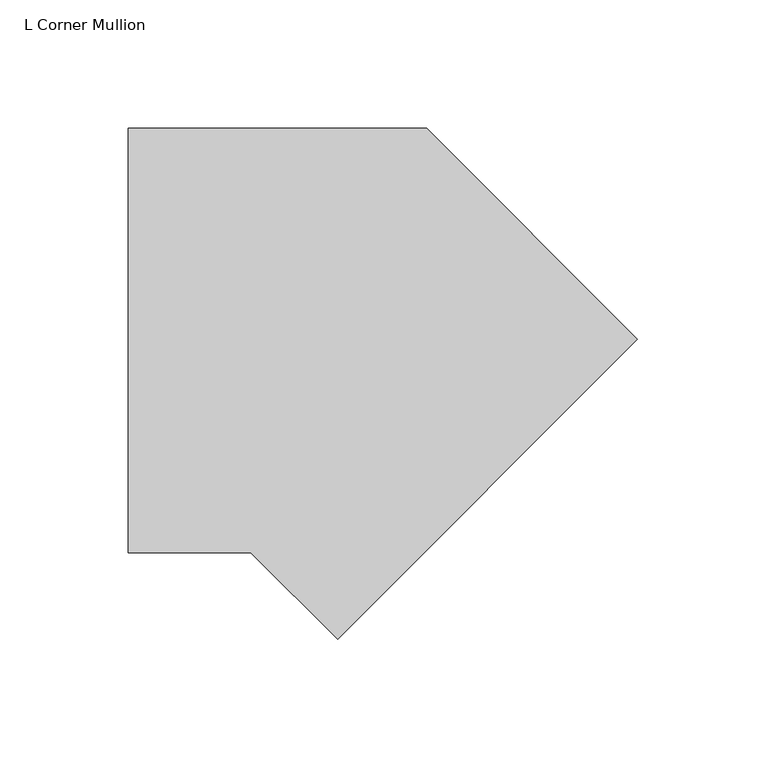
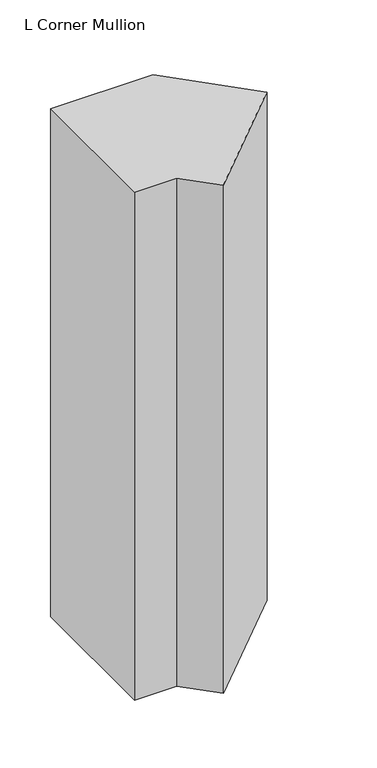
"""IFC4 building model written with IfcOpenShell, lengths in millimetres: member geometry, L Corner Mullion."""

from ifc_helpers import new_model, si_unit, frame, origin, place, context, project, spatial, polyline, outline, extrude, source, transform, mapped, element, save


def l_corner_mullion_9cd8765d(model_context):
    return source(origin(), model_context, "Body", "SweptSolid", [
        extrude(outline(polyline([(-29.4239251, -186.1022218), (-63.1261469, -152.4), (-110.7882861, -152.4), (-110.7882861, 12.7), (5.2605122, 12.7), (87.3194045, -69.3588922), (-29.4239251, -186.1022218)])), frame((0.0, 0.0, -609.6), z_axis=(0.0, 0.0, 1.0), x_axis=(1.0, 0.0, 0.0)), (0.0, 0.0, 1.0), 609.6),
    ])


if __name__ == "__main__":
    model = new_model("IFC4")
    model_context = context("Model", 3, world=origin())
    ifc_project = project(units=[si_unit("LENGTHUNIT", "METRE", prefix="MILLI")], contexts=[model_context])
    site = spatial("IfcSite", under=ifc_project)
    building = spatial("IfcBuilding", under=site)
    placement = place(None, origin())
    l_corner_mullion_shape = l_corner_mullion_9cd8765d(model_context)
    element("IfcMember", 1, ObjectType="L Corner Mullion", at=placement, inside=building, context=model_context, shape_type="MappedRepresentation", body=[
        mapped(l_corner_mullion_shape, transform((0.0, 0.0, 0.0), x_axis=(1.0, 0.0, 0.0), y_axis=(0.0, 1.0, 0.0), z_axis=(0.0, 0.0, 1.0))),
    ])
    save(model, "model.ifc")
